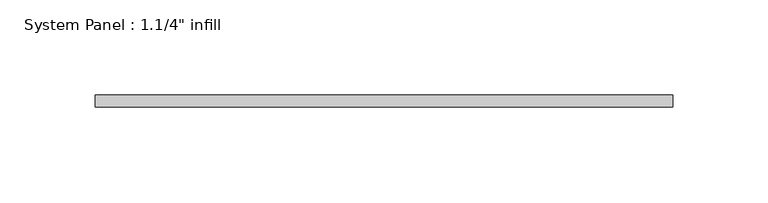
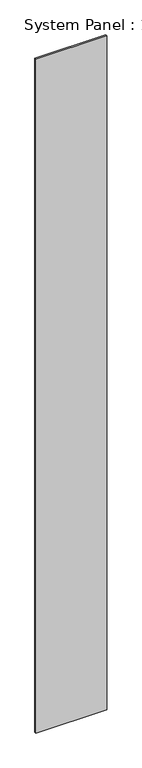
"""IFC4 building model written with IfcOpenShell, lengths in millimetres: plate geometry."""

from ifc_helpers import new_model, si_unit, origin, origin_with_axes, place, context, project, spatial, polyline, outline, extrude, source, transform, mapped, element, save


def plate_4f19f4d7(model_context):
    return source(origin(), model_context, "Body", "SweptSolid", [
        extrude(outline(polyline([(151.7762925, -6.2507813), (-151.7762925, -6.2507813), (-151.7762925, 0.0992187), (151.7762925, 0.0992187), (151.7762925, -6.2507813)])), origin_with_axes(), (0.0, 0.0, 1.0), 3048.0),
    ])


if __name__ == "__main__":
    model = new_model("IFC4")
    model_context = context("Model", 3, world=origin())
    ifc_project = project(units=[si_unit("LENGTHUNIT", "METRE", prefix="MILLI")], contexts=[model_context])
    site = spatial("IfcSite", under=ifc_project)
    building = spatial("IfcBuilding", under=site)
    placement = place(None, origin())
    plate_shape = plate_4f19f4d7(model_context)
    element("IfcPlate", 1, ObjectType="System Panel : 1.1/4\" infill", at=placement, inside=building, context=model_context, shape_type="MappedRepresentation", body=[
        mapped(plate_shape, transform((0.0, 0.0, 0.0), x_axis=(1.0, 0.0, 0.0), y_axis=(0.0, 1.0, 0.0), z_axis=(0.0, 0.0, 1.0))),
    ])
    save(model, "model.ifc")
